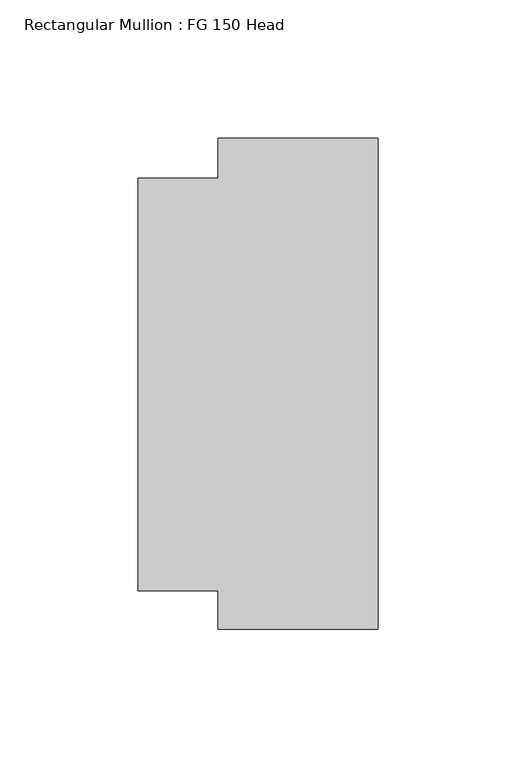
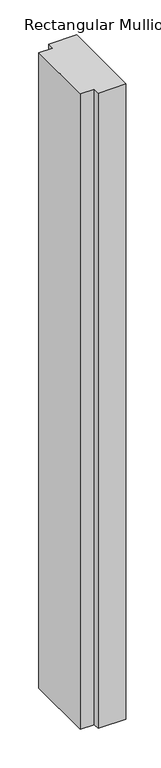
"""IFC4 building model written with IfcOpenShell, lengths in millimetres: member geometry, Rectangular Mullion : FG 150 Head."""

from ifc_helpers import new_model, si_unit, frame, origin, place, context, project, spatial, polyline, outline, extrude, source, transform, mapped, element, save


def rectangular_mullion_fg_150_head_19867eb7(model_context):
    return source(origin(), model_context, "Body", "SweptSolid", [
        extrude(outline(polyline([(0.0, -88.9972639), (-58.0, -88.9972639), (-58.0, -74.9972639), (-87.0, -74.9972639), (-87.0, 74.5027361), (-58.0, 74.5027361), (-58.0, 89.0027361), (0.0, 89.0027361), (0.0, -88.9972639)])), frame((0.0, 0.0, -1402.8333333), z_axis=(0.0, 0.0, 1.0), x_axis=(1.0, 0.0, 0.0)), (0.0, 0.0, 1.0), 1402.8333333),
    ])


if __name__ == "__main__":
    model = new_model("IFC4")
    model_context = context("Model", 3, world=origin())
    ifc_project = project(units=[si_unit("LENGTHUNIT", "METRE", prefix="MILLI")], contexts=[model_context])
    site = spatial("IfcSite", under=ifc_project)
    building = spatial("IfcBuilding", under=site)
    placement = place(None, origin())
    rectangular_mullion_fg_150_head_shape = rectangular_mullion_fg_150_head_19867eb7(model_context)
    element("IfcMember", 1, ObjectType="Rectangular Mullion : FG 150 Head", at=placement, inside=building, context=model_context, shape_type="MappedRepresentation", body=[
        mapped(rectangular_mullion_fg_150_head_shape, transform((0.0, 0.0, 0.0), x_axis=(1.0, 0.0, 0.0), y_axis=(0.0, 1.0, 0.0), z_axis=(0.0, 0.0, 1.0))),
    ])
    save(model, "model.ifc")
